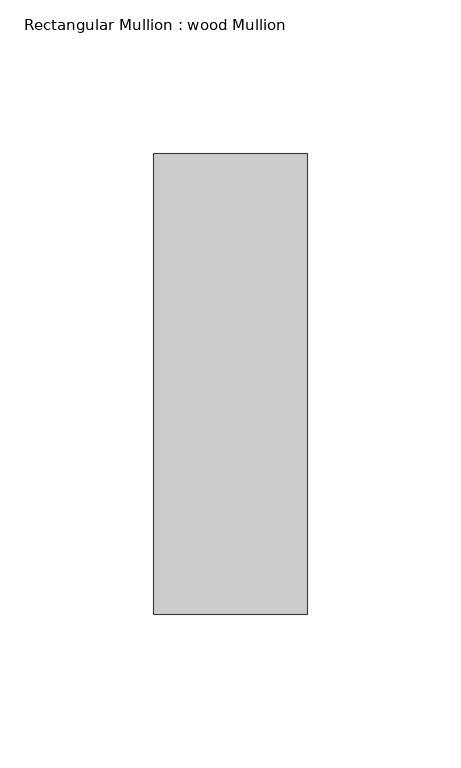
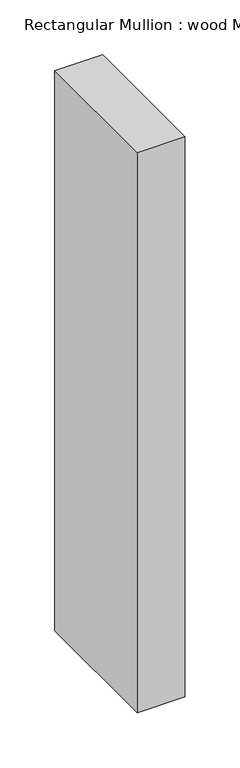
"""IFC4 building model written with IfcOpenShell, lengths in millimetres: member geometry, Rectangular Mullion : wood Mullion."""

from ifc_helpers import new_model, si_unit, frame, origin, place, context, project, spatial, polyline, outline, extrude, source, transform, mapped, element, save


def rectangular_mullion_wood_mullion_e60d3672(model_context):
    return source(origin(), model_context, "Body", "SweptSolid", [
        extrude(outline(polyline([(0.0, 75.0), (0.0, -75.0), (-50.0, -75.0), (-50.0, 75.0), (0.0, 75.0)])), frame((0.0, 0.0, -622.5000001), z_axis=(0.0, 0.0, 1.0), x_axis=(1.0, 0.0, 0.0)), (0.0, 0.0, 1.0), 622.5000001),
    ])


if __name__ == "__main__":
    model = new_model("IFC4")
    model_context = context("Model", 3, world=origin())
    ifc_project = project(units=[si_unit("LENGTHUNIT", "METRE", prefix="MILLI")], contexts=[model_context])
    site = spatial("IfcSite", under=ifc_project)
    building = spatial("IfcBuilding", under=site)
    placement = place(None, origin())
    rectangular_mullion_wood_mullion_shape = rectangular_mullion_wood_mullion_e60d3672(model_context)
    element("IfcMember", 1, ObjectType="Rectangular Mullion : wood Mullion", at=placement, inside=building, context=model_context, shape_type="MappedRepresentation", body=[
        mapped(rectangular_mullion_wood_mullion_shape, transform((0.0, 0.0, 0.0), x_axis=(1.0, 0.0, 0.0), y_axis=(0.0, 1.0, 0.0), z_axis=(0.0, 0.0, 1.0))),
    ])
    save(model, "model.ifc")
